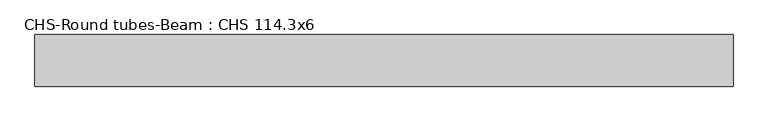
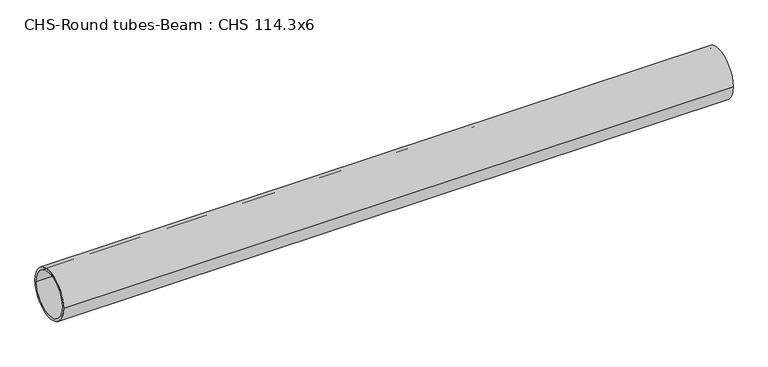
"""IFC4 building model written with IfcOpenShell, lengths in millimetres: beam geometry, CHS-Round tubes-Beam : CHS 114.3x6."""

from ifc_helpers import new_model, si_unit, point, frame, origin, origin_2d, place, context, project, spatial, circle_curve, trimmed, segment, composite_curve, outline, extrude, source, transform, mapped, element, save


def chs_round_tubes_beam_chs_114_3x6_317b4336(model_context):
    return source(origin(), model_context, "Body", "SweptSolid", [
        extrude(outline(composite_curve([segment(trimmed(circle_curve(origin_2d(), 57.15), [point((57.15, 0.0))], [point((-57.15, 0.0))], False, "CARTESIAN"), True, "CONTINUOUS"), segment(trimmed(circle_curve(origin_2d(), 57.15), [point((-57.15, 0.0))], [point((57.15, 0.0))], False, "CARTESIAN"), True, "CONTINUOUS")], self_intersect=False), holes=[composite_curve([segment(trimmed(circle_curve(origin_2d(), 51.15), [point((51.15, 0.0))], [point((-51.15, 0.0))], True, "CARTESIAN"), True, "CONTINUOUS"), segment(trimmed(circle_curve(origin_2d(), 51.15), [point((-51.15, 0.0))], [point((51.15, 0.0))], True, "CARTESIAN"), True, "CONTINUOUS")], self_intersect=False)]), frame((-785.2695413, 0.0, 0.0), z_axis=(1.0, 0.0, 0.0), x_axis=(0.0, 1.0, 0.0)), (0.0, 0.0, 1.0), 1545.2151783),
    ])


if __name__ == "__main__":
    model = new_model("IFC4")
    model_context = context("Model", 3, world=origin())
    ifc_project = project(units=[si_unit("LENGTHUNIT", "METRE", prefix="MILLI")], contexts=[model_context])
    site = spatial("IfcSite", under=ifc_project)
    building = spatial("IfcBuilding", under=site)
    placement = place(None, origin())
    chs_round_tubes_beam_chs_114_3x6_shape = chs_round_tubes_beam_chs_114_3x6_317b4336(model_context)
    element("IfcBeam", 1, ObjectType="CHS-Round tubes-Beam : CHS 114.3x6", at=placement, inside=building, context=model_context, shape_type="MappedRepresentation", body=[
        mapped(chs_round_tubes_beam_chs_114_3x6_shape, transform((0.0, 0.0, 0.0), x_axis=(1.0, 0.0, 0.0), y_axis=(0.0, 1.0, 0.0), z_axis=(0.0, 0.0, 1.0))),
    ])
    save(model, "model.ifc")
